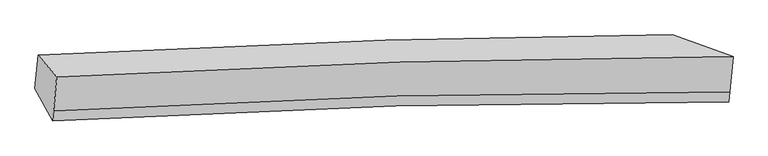
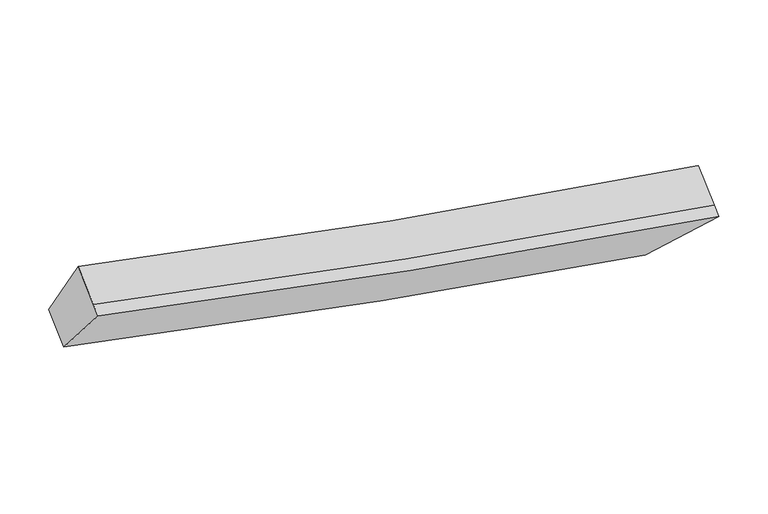
"""IFC4 building model written with IfcOpenShell, lengths in millimetres: proxy geometry."""

from ifc_helpers import new_model, si_unit, frame, origin, place, context, project, spatial, source, transform, mapped, element, save
from ifc_brep_helpers import plane_surface, spline_curve, spline_surface, advanced_brep


def generic_models_d1615178(model_context):
    return source(origin(), model_context, "Body", "AdvancedBrep", [
        advanced_brep(
        [(-3473.2550315, -1837.8986161, 3735.2268928), (-3258.894409, -2086.0651112, 4370.9562595), (4484.9387536, -1853.3484896, 2826.4482191), (3789.4253533, -1602.857078, 2259.3960665), (-3295.686393, -2474.217921, 4125.0561708), (4446.7160468, -2256.5953232, 2570.9858608), (-3306.8606599, -2592.1056403, 4050.3726959), (4435.5417799, -2374.4830424, 2496.302386), (-3509.466627, -2219.9283686, 3493.2058443), (3751.7678685, -2000.1408601, 2007.7113826)],
        [
            (0, 1),
            (1, 2, spline_curve(3, [(-3258.894409, -2086.0651112, 4370.9562595), (-2002.421228695, -2011.297286724, 4046.067628106), (-693.158003591, -1954.397224857, 3749.699325964), (1897.927395652, -1880.144607328, 3240.162005165), (3169.941891706, -1859.472462021, 3021.694294235), (4484.9387536, -1853.3484896, 2826.4482191)], [4, 2, 4], [0.0, 13.212648609525711, 25.134920692430597])),
            (2, 3),
            (3, 0, spline_curve(3, [(3789.4253533, -1602.857078, 2259.3960665), (2743.95264964, -1607.714272848, 2412.140824937), (1649.703486166, -1627.894873748, 2603.116351412), (-760.060205512, -1702.745571688, 3086.33649701), (-2086.704503762, -1760.912150535, 3387.304578856), (-3473.2550315, -1837.8986161, 3735.2268928)], [4, 2, 4], [0.0, 11.922272082904886, 25.134920692430597])),
            (1, 4),
            (4, 5, spline_curve(3, [(-3295.686393, -2474.217921, 4125.0561708), (-2038.935383666, -2396.519021252, 3802.024415861), (-729.672158654, -2339.618959414, 3505.656113553), (1860.884716104, -2270.94223726, 2992.586386827), (3132.42230482, -2255.301433061, 2770.931252365), (4446.7160468, -2256.5953232, 2570.9858608)], [4, 2, 4], [0.0, 13.630985121874229, 25.930738046798687])),
            (5, 2),
            (4, 6),
            (6, 7, spline_curve(3, [(-3306.8606599, -2592.1056403, 4050.3726959), (-2050.109650426, -2514.406740348, 3727.340940879), (-740.846425741, -2457.506678607, 3430.972638712), (1849.710449563, -2388.829956468, 2917.902911873), (3121.248037678, -2373.189152227, 2696.247777789), (4435.5417799, -2374.4830424, 2496.302386)], [4, 2, 4], [0.0, 13.631007078343966, 25.9307798154207])),
            (7, 5),
            (6, 8),
            (8, 9, spline_curve(3, [(-3509.466627, -2219.9283686, 3493.2058443), (-2122.635325044, -2139.97975604, 3147.160090522), (-795.99102692, -2081.813177679, 2846.192008673), (1613.238537594, -2012.597482968, 2359.40201177), (2707.0057377, -1997.501558799, 2165.205273472), (3751.7678685, -2000.1408601, 2007.7113826)], [4, 2, 4], [0.0, 13.212650465582138, 25.13492422327687])),
            (9, 7),
            (8, 0),
            (3, 9),
        ],
        [
            spline_surface(3, 3, [[(-3473.2550315, -1837.8986161, 3735.2268928), (-2086.704503637, -1760.912150333, 3387.304578944), (-760.060205463, -1702.745571735, 3086.336496897), (1649.703486121, -1627.894873706, 2603.116351513), (2743.952649526, -1607.714272983, 2412.140824803), (3789.4253533, -1602.857078, 2259.3960665)], [(-3401.801490678, -1920.620781128, 3947.13668169), (-2058.610078634, -1844.37386249, 3606.892262056), (-737.759471568, -1786.629456167, 3307.457439908), (1732.44478935, -1711.97811823, 2815.464902717), (2885.949063615, -1691.633669295, 2615.325314536), (4021.263153378, -1686.354215215, 2448.413450676)], [(-3330.347949822, -2003.342946172, 4159.04647061), (-2030.515653598, -1927.835574664, 3826.479945196), (-715.458737666, -1870.513340542, 3528.578382957), (1815.186092586, -1796.061362697, 3027.813453958), (3027.94547777, -1775.553065562, 2818.50980434), (4253.100953522, -1769.851352385, 2637.430834924)], [(-3258.894409, -2086.0651112, 4370.9562595), (-2002.421228596, -2011.297286822, 4046.067628308), (-693.158003771, -1954.397224974, 3749.699325968), (1897.927395815, -1880.144607222, 3240.162005161), (3169.941891859, -1859.472461874, 3021.694294073), (4484.9387536, -1853.3484896, 2826.4482191)]], [4, 4], [4, 2, 4], [0.0, 2.343061367948494], [0.0, 13.212648609525711, 25.134920692430597]),
            spline_surface(3, 3, [[(-3258.894409, -2086.0651112, 4370.9562595), (-2002.421228596, -2011.297286822, 4046.067628308), (-693.158003771, -1954.397224974, 3749.699325968), (1897.927395815, -1880.144607222, 3240.162005161), (3169.941891859, -1859.472461874, 3021.694294073), (4484.9387536, -1853.3484896, 2826.4482191)], [(-3271.15840366, -2215.449381142, 4288.989563262), (-2014.592613611, -2139.704531619, 3964.719890799), (-705.329388787, -2082.804469772, 3668.351588459), (1885.579835974, -2010.41048387, 3157.636799074), (3157.435362817, -1991.41545227, 2938.106613597), (4472.197851337, -1987.764100786, 2741.294099695)], [(-3283.42239834, -2344.833651058, 4207.022867038), (-2026.763998648, -2268.111776389, 3883.372153305), (-717.500773824, -2211.211714641, 3587.003850964), (1873.232276112, -2140.67636059, 3075.111593002), (3144.928833765, -2123.358442708, 2854.518933035), (4459.456949063, -2122.179712014, 2656.139980205)], [(-3295.686393, -2474.217921, 4125.0561708), (-2038.935383664, -2396.519021186, 3802.024415796), (-729.67215884, -2339.618959439, 3505.656113455), (1860.884716272, -2270.942237239, 2992.586386915), (3132.422304723, -2255.301433104, 2770.931252559), (4446.7160468, -2256.5953232, 2570.9858608)]], [4, 4], [4, 2, 4], [0.0, 1.5107410677511999], [0.0, 13.630985121874229, 25.930738046798687]),
            spline_surface(3, 3, [[(-3295.686393, -2474.217921, 4125.0561708), (-2038.935383664, -2396.519021186, 3802.024415796), (-729.67215884, -2339.618959439, 3505.656113455), (1860.884716272, -2270.942237239, 2992.586386915), (3132.422304723, -2255.301433104, 2770.931252559), (4446.7160468, -2256.5953232, 2570.9858608)], [(-3299.411148618, -2513.513827407, 4100.16167918), (-2042.660139282, -2435.814927593, 3777.129924176), (-733.396914457, -2378.914865846, 3480.761621835), (1857.159960654, -2310.238143645, 2967.691895295), (3128.697549106, -2294.597339511, 2746.036760939), (4442.991291182, -2295.891229607, 2546.09136918)], [(-3303.135904282, -2552.809733893, 4075.26718752), (-2046.384894946, -2475.110834079, 3752.235432516), (-737.121670022, -2418.210772232, 3455.867130175), (1853.435205089, -2349.534050032, 2942.797403635), (3124.972793441, -2333.893245897, 2721.14226938), (4439.266535518, -2335.187135993, 2521.19687762)], [(-3306.8606599, -2592.1056403, 4050.3726959), (-2050.109650564, -2514.406740486, 3727.340940896), (-740.84642564, -2457.506678639, 3430.972638555), (1849.710449472, -2388.829956439, 2917.902912015), (3121.248037823, -2373.189152304, 2696.247777759), (4435.5417799, -2374.4830424, 2496.302386)]], [4, 4], [4, 2, 4], [0.0, 0.4593175853018448], [0.0, 13.631007078343966, 25.9307798154207]),
            spline_surface(3, 3, [[(-3306.8606599, -2592.1056403, 4050.3726959), (-2050.109650564, -2514.406740486, 3727.340940896), (-740.84642564, -2457.506678639, 3430.972638555), (1849.710449472, -2388.829956439, 2917.902912015), (3121.248037823, -2373.189152304, 2696.247777759), (4435.5417799, -2374.4830424, 2496.302386)], [(-3374.395982271, -2468.046549752, 3864.650412021), (-2074.284875396, -2389.597745741, 3533.947324139), (-759.227959364, -2332.275511618, 3236.045761899), (1770.886478852, -2263.419131967, 2731.735945275), (2983.167271173, -2247.959954483, 2519.233609608), (4207.61714276, -2249.702314978, 2333.438718189)], [(-3441.931304629, -2343.987459148, 3678.928128179), (-2098.460100216, -2264.788750939, 3340.553707418), (-777.60949315, -2207.044344616, 3041.118885271), (1692.062508171, -2138.008307514, 2545.568978563), (2845.086504543, -2122.730756629, 2342.21944149), (3979.69250564, -2124.921587522, 2170.575050411)], [(-3509.466627, -2219.9283686, 3493.2058443), (-2122.635325048, -2139.979756194, 3147.160090661), (-795.991026873, -2081.813177596, 2846.192008615), (1613.238537551, -2012.597483043, 2359.402011823), (2707.005737892, -1997.501558808, 2165.205273338), (3751.7678685, -2000.1408601, 2007.7113826)]], [4, 4], [4, 2, 4], [0.0, 2.2926977018265817], [0.0, 13.212650465582138, 25.13492422327687]),
            spline_surface(3, 3, [[(-3509.466627, -2219.9283686, 3493.2058443), (-2122.635325048, -2139.979756194, 3147.160090661), (-795.991026873, -2081.813177596, 2846.192008615), (1613.238537551, -2012.597483043, 2359.402011823), (2707.005737892, -1997.501558808, 2165.205273338), (3751.7678685, -2000.1408601, 2007.7113826)], [(-3497.396095174, -2092.585117771, 3573.879527147), (-2110.658384585, -2013.623887578, 3227.208253436), (-784.014086411, -1955.45730898, 2926.240171389), (1625.3935204, -1884.363279935, 2440.640125067), (2719.321375113, -1867.572463514, 2247.517123853), (3764.320363444, -1867.712932715, 2091.60627726)], [(-3485.325563326, -1965.241866929, 3654.553209953), (-2098.6814441, -1887.268018949, 3307.256416169), (-772.037145925, -1829.101440351, 3006.288334123), (1637.548503272, -1756.129076814, 2521.87823827), (2731.637012304, -1737.643368276, 2329.828974288), (3776.872858356, -1735.285005385, 2175.50117184)], [(-3473.2550315, -1837.8986161, 3735.2268928), (-2086.704503637, -1760.912150333, 3387.304578944), (-760.060205463, -1702.745571735, 3086.336496897), (1649.703486121, -1627.894873706, 2603.116351513), (2743.952649526, -1607.714272983, 2412.140824803), (3789.4253533, -1602.857078, 2259.3960665)]], [4, 4], [4, 2, 4], [0.0, 1.4868673637982917], [0.0, 12.793934559121812, 24.338385133154404]),
            plane_surface(frame((4115.4184388, -1957.7073675, 2397.4645135), z_axis=(0.6642550775239294, 0.35409134681198334, -0.6583194589988619), x_axis=(-0.7432325124137149, 0.40689367637682744, -0.5310771776453463))),
            plane_surface(frame((-3387.1191818, -2183.9994341, 3912.4404232), z_axis=(-0.9538634824001025, -0.09087129152529176, 0.2861588113619342), x_axis=(-0.079816191808902, -0.8420551372905605, -0.5334533918607136))),
        ],
        [
            (0, [[1, 2, 3, 4]]),
            (1, [[5, 6, 7, -2]]),
            (2, [[8, 9, 10, -6]]),
            (3, [[11, 12, 13, -9]]),
            (4, [[14, -4, 15, -12]]),
            (5, [[-13, -15, -3, -7, -10]]),
            (6, [[-14, -11, -8, -5, -1]]),
        ],
    ),
    ])


if __name__ == "__main__":
    model = new_model("IFC4")
    model_context = context("Model", 3, world=origin())
    ifc_project = project(units=[si_unit("LENGTHUNIT", "METRE", prefix="MILLI")], contexts=[model_context])
    site = spatial("IfcSite", under=ifc_project)
    building = spatial("IfcBuilding", under=site)
    placement = place(None, origin())
    generic_models_shape = generic_models_d1615178(model_context)
    element("IfcBuildingElementProxy", 1, Name="Generic Models", at=placement, inside=building, context=model_context, shape_type="MappedRepresentation", body=[
        mapped(generic_models_shape, transform((0.0, 0.0, 0.0), x_axis=(1.0, 0.0, 0.0), y_axis=(0.0, 1.0, 0.0), z_axis=(0.0, 0.0, 1.0))),
    ])
    save(model, "model.ifc")
